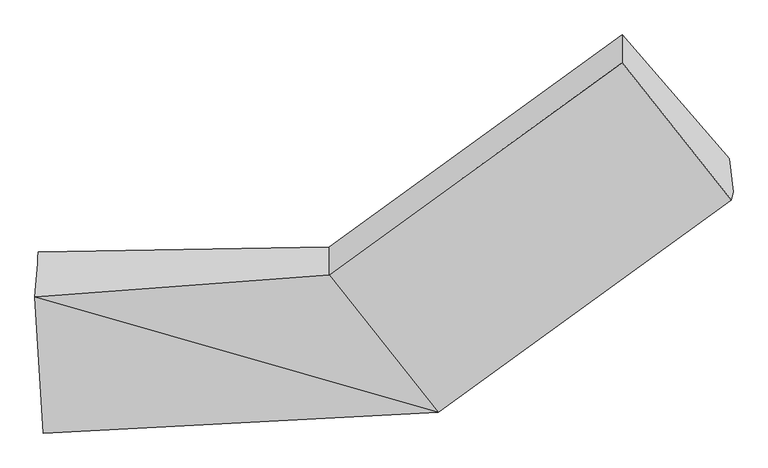
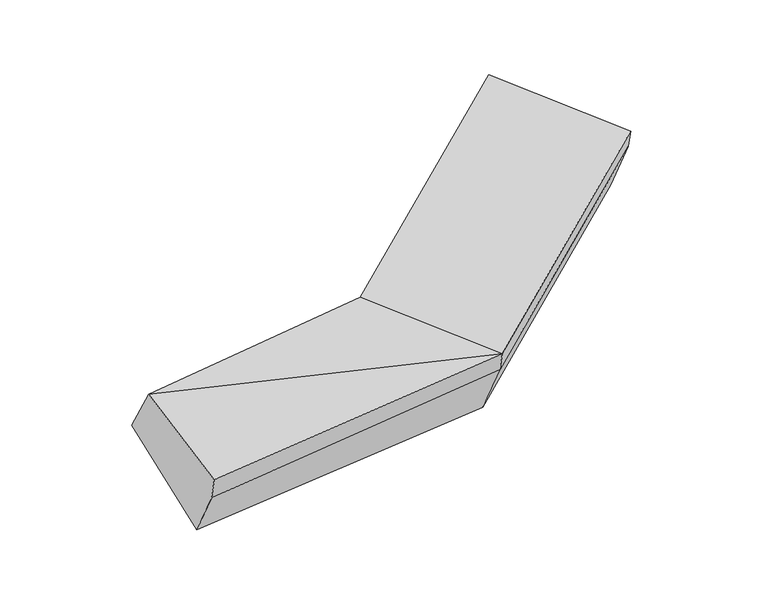
"""IFC4 building model written with IfcOpenShell, lengths in millimetres: proxy geometry."""

from ifc_helpers import new_model, si_unit, frame, origin, place, context, project, spatial, source, transform, mapped, element, save
from ifc_brep_helpers import plane_surface, spline_surface, advanced_brep


def generic_models_69849936(model_context):
    return source(origin(), model_context, "Body", "AdvancedBrep", [
        advanced_brep(
        [(-1586.2209828, -1586.243696, 1673.6175863), (-1603.0950224, -1800.7080304, 2016.9313888), (-189.9438583, -1695.5591393, 2115.7584907), (-189.9709917, -1561.6220243, 1766.7564297), (-1563.3285474, -2456.7003391, 1823.7534437), (334.7161592, -2356.7668489, 1951.027708), (-1553.8581687, -2411.0534834, 1670.6956882), (342.7507573, -2318.0403995, 1821.1746584), (-1536.5389627, -2218.6388758, 1333.0180655), (323.4918173, -2157.4140415, 1471.8194601), (1751.3683396, -1297.83595, 2212.5907426), (1732.1093995, -1137.2095919, 1863.2355443), (1218.6465905, -541.4175748, 2158.1725139), (1218.6737239, -675.3546897, 2507.1745748), (1743.3337414, -1336.5623994, 2342.4437922)],
        [
            (0, 1),
            (1, 2),
            (2, 3),
            (3, 0),
            (1, 4),
            (4, 5),
            (5, 1),
            (4, 6),
            (6, 7),
            (7, 5),
            (6, 8),
            (8, 9),
            (9, 7),
            (8, 0),
            (3, 9),
            (10, 11),
            (11, 12),
            (12, 13),
            (13, 14),
            (14, 10),
            (5, 2),
            (9, 11),
            (10, 7),
            (3, 12),
            (2, 13),
            (5, 14),
        ],
        [
            spline_surface(1, 1, [[(-1586.2209828, -1586.243696, 1673.6175863), (-189.9709917, -1561.6220243, 1766.7564297)], [(-1603.0950224, -1800.7080304, 2016.9313888), (-189.9438583, -1695.5591393, 2115.7584907)]], [2, 2], [2, 2], [0.0, 1.0], [0.0, 1.0]),
            plane_surface(frame((-1583.2117849, -2128.7041848, 1920.3424162), z_axis=(-0.04919240316853723, -0.2848889517898351, 0.9572974420829679), x_axis=(0.0580532482299458, -0.9576530053060907, -0.28201159869438885))),
            plane_surface(frame((-1558.593358, -2433.8769112, 1747.224566), z_axis=(0.06924901623955973, -0.9571560169558495, -0.28117064739241027), x_axis=(0.059189867039498606, 0.2852928481202621, -0.9566109713207746))),
            spline_surface(1, 1, [[(-1553.8581687, -2411.0534834, 1670.6956882), (342.7507573, -2318.0403995, 1821.1746584)], [(-1536.5389627, -2218.6388758, 1333.0180655), (323.4918173, -2157.4140415, 1471.8194601)]], [2, 2], [2, 2], [0.0, 1.0], [0.0, 1.0]),
            spline_surface(1, 1, [[(-1536.5389627, -2218.6388758, 1333.0180655), (323.4918173, -2157.4140415, 1471.8194601)], [(-1586.2209828, -1586.243696, 1673.6175863), (-189.9709917, -1561.6220243, 1766.7564297)]], [2, 2], [2, 2], [0.0, 1.0], [0.0, 1.0]),
            plane_surface(frame((1532.826359, -997.6760411, 2216.7234336), z_axis=(0.7901337947907768, 0.5722617858455998, 0.21955645012235764), x_axis=(-0.05002393150034718, 0.4172172472100699, -0.9074289916614412))),
            plane_surface(frame((-1568.6083368, -2094.6688849, 1703.6032345), z_axis=(-0.9965572637885892, -0.03884214514725816, -0.07324553058419161), x_axis=(0.06900280564681964, -0.8783266385070617, -0.47305488994592654))),
            plane_surface(frame((-1603.0950224, -1800.7080304, 2016.9313888), z_axis=(-0.0465891604037504, -0.27613587617786384, 0.9599887645281882), x_axis=(0.6100697877861183, -0.7688461739985697, -0.1915474216959386))),
            plane_surface(frame((333.1212873, -2237.7272205, 1646.4970593), z_axis=(0.6108896730235448, -0.7060072358632199, -0.35828423116565217), x_axis=(-0.05002393150034718, 0.4172172472100699, -0.9074289916614412))),
            plane_surface(frame((66.7604128, -1859.5180329, 1619.2879449), z_axis=(-0.04520378170060646, 0.4116354031244166, -0.9102268470082407), x_axis=(-0.611265248848228, 0.7092762109047739, 0.35111543998389017))),
            plane_surface(frame((-189.957425, -1628.5905818, 1941.2574602), z_axis=(-0.6129344019233351, 0.7376602923572425, 0.28314079892927996), x_axis=(7.258405478540678e-05, -0.3582928153622839, 0.9336092615175384))),
            plane_surface(frame((72.3861504, -2026.1629941, 2033.3930993), z_axis=(-0.059189867039497704, -0.28529284812025996, 0.9566109713207752), x_axis=(0.6100697877861183, -0.7688461739985697, -0.19154742169593864))),
            plane_surface(frame((338.7334582, -2337.4036242, 1886.1011832), z_axis=(0.6100697877861255, -0.7688461739985643, -0.19154742169593786), x_axis=(0.059189867039498606, 0.2852928481202621, -0.9566109713207746))),
        ],
        [
            (0, [[1, 2, 3, 4]]),
            (1, [[5, 6, 7]]),
            (2, [[8, 9, 10, -6]]),
            (3, [[11, 12, 13, -9]]),
            (4, [[14, -4, 15, -12]]),
            (5, [[16, 17, 18, 19, 20]]),
            (6, [[-14, -11, -8, -5, -1]]),
            (7, [[21, -2, -7]]),
            (8, [[-13, 22, -16, 23]]),
            (9, [[-15, 24, -17, -22]]),
            (10, [[-3, 25, -18, -24]]),
            (11, [[-21, 26, -19, -25]]),
            (12, [[-10, -23, -20, -26]]),
        ],
    ),
    ])


if __name__ == "__main__":
    model = new_model("IFC4")
    model_context = context("Model", 3, world=origin())
    ifc_project = project(units=[si_unit("LENGTHUNIT", "METRE", prefix="MILLI")], contexts=[model_context])
    site = spatial("IfcSite", under=ifc_project)
    building = spatial("IfcBuilding", under=site)
    placement = place(None, origin())
    generic_models_shape = generic_models_69849936(model_context)
    element("IfcBuildingElementProxy", 1, Name="Generic Models", at=placement, inside=building, context=model_context, shape_type="MappedRepresentation", body=[
        mapped(generic_models_shape, transform((0.0, 0.0, 0.0), x_axis=(1.0, 0.0, 0.0), y_axis=(0.0, 1.0, 0.0), z_axis=(0.0, 0.0, 1.0))),
    ])
    save(model, "model.ifc")
